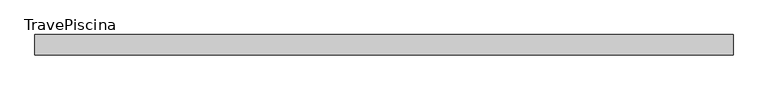
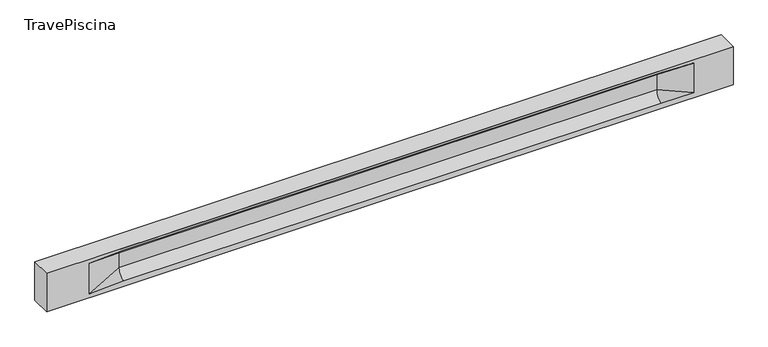
"""IFC4 building model written with IfcOpenShell, lengths in millimetres: beam geometry, TravePiscina."""

from ifc_helpers import new_model, si_unit, frame, origin, place, context, project, spatial, polyline, circle_curve, source, transform, mapped, element, save
from ifc_brep_helpers import plane_surface, revolved_surface, spline_surface, advanced_brep


def travepiscina_29454896(model_context):
    return source(origin(), model_context, "Body", "AdvancedBrep", [
        advanced_brep(
        [(8482.5, -250.0, 500.0), (8482.5, -250.0, -500.0), (8482.5, 250.0, -500.0), (8482.5, 250.0, 500.0), (-8482.5, -250.0, 500.0), (-8482.5, -250.0, -500.0), (7507.5, -250.0, -362.0), (6707.5, -250.0, -360.0), (-6582.5, -250.0, -360.0), (-7432.5, -250.0, -400.0), (-7432.5, -250.0, 400.0), (-6582.5, -250.0, 435.0), (6707.5, -250.0, 435.0), (7507.5, -250.0, 400.0), (-8482.5, 250.0, -500.0), (-8482.5, 250.0, 500.0), (7507.5, 250.0, 400.0), (6707.5, 250.0, 435.0), (-6582.5, 250.0, 435.0), (-7432.5, 250.0, 400.0), (-7432.5, 250.0, -400.0), (-6582.5, 250.0, -360.0), (6707.5, 250.0, -360.0), (7507.5, 250.0, -362.0), (6707.5, 155.0, 405.0), (-6582.5, 155.0, 405.0), (-6582.5, -60.0, 262.777021), (6707.5, -60.0, 262.777021), (6707.5, -155.0, 405.0), (-6582.5, -155.0, 405.0), (-6582.5, 60.0, 262.777021), (6707.5, 60.0, 262.777021), (6707.5, 60.0, -120.0), (-6582.5, 60.0, -120.0), (-6582.5, -60.0, -120.0), (6707.5, -60.0, -120.0)],
        [
            (0, 1),
            (1, 2),
            (2, 3),
            (3, 0),
            (0, 4),
            (4, 5),
            (5, 1),
            (6, 7),
            (7, 8),
            (8, 9),
            (9, 10),
            (10, 11),
            (11, 12),
            (12, 13),
            (13, 6),
            (5, 14),
            (14, 2),
            (14, 15),
            (15, 3),
            (16, 17),
            (17, 18),
            (18, 19),
            (19, 20),
            (20, 21),
            (21, 22),
            (22, 23),
            (23, 16),
            (15, 4),
            (17, 24),
            (24, 25),
            (25, 18),
            (26, 27),
            (27, 28, circle_curve(frame((6707.5, -213.9598725, 262.777021), z_axis=(1.0, 0.0, 0.0), x_axis=(0.0, 1.0, 0.0)), 153.9598725)),
            (28, 29),
            (29, 26, circle_curve(frame((-6582.5, -213.9598725, 262.777021), z_axis=(-1.0, 0.0, 0.0), x_axis=(0.0, 1.0, 0.0)), 153.9598725)),
            (30, 31),
            (31, 32),
            (32, 33),
            (33, 30),
            (28, 12),
            (11, 29),
            (34, 35),
            (35, 27),
            (26, 34),
            (25, 19),
            (22, 32, circle_curve(frame((6707.5, 306.5789474, -120.0), z_axis=(-1.0, 0.0, 0.0), x_axis=(0.0, 1.0, 0.0)), 246.5789474)),
            (32, 23),
            (10, 29),
            (10, 26),
            (13, 28),
            (27, 13),
            (30, 19),
            (25, 30, circle_curve(frame((-6582.5, 213.9598725, 262.777021), z_axis=(1.0, 0.0, 0.0), x_axis=(0.0, 1.0, 0.0)), 153.9598725)),
            (9, 34),
            (8, 34, circle_curve(frame((-6582.5, -306.5789474, -120.0), z_axis=(1.0, 0.0, 0.0), x_axis=(0.0, 1.0, 0.0)), 246.5789474)),
            (20, 33),
            (33, 21, circle_curve(frame((-6582.5, 306.5789474, -120.0), z_axis=(1.0, 0.0, 0.0), x_axis=(0.0, 1.0, 0.0)), 246.5789474)),
            (35, 6),
            (35, 7, circle_curve(frame((6707.5, -306.5789474, -120.0), z_axis=(-1.0, 0.0, 0.0), x_axis=(0.0, 1.0, 0.0)), 246.5789474)),
            (31, 16),
            (31, 24, circle_curve(frame((6707.5, 213.9598725, 262.777021), z_axis=(-1.0, 0.0, 0.0), x_axis=(0.0, 1.0, 0.0)), 153.9598725)),
            (24, 16),
        ],
        [
            plane_surface(frame((8482.5, 0.0, 0.0), z_axis=(1.0, 0.0, 0.0), x_axis=(0.0, 0.0, 1.0))),
            plane_surface(frame((8482.5, -250.0, 500.0), z_axis=(0.0, -1.0, 0.0), x_axis=(-1.0, 0.0, 0.0))),
            plane_surface(frame((8482.5, -250.0, -500.0), z_axis=(0.0, 0.0, -1.0), x_axis=(-1.0, 0.0, 0.0))),
            plane_surface(frame((8482.5, 250.0, -500.0), z_axis=(0.0, 1.0, 0.0), x_axis=(-1.0, 0.0, 0.0))),
            plane_surface(frame((8482.5, 250.0, 500.0), z_axis=(0.0, 0.0, 1.0), x_axis=(-1.0, 0.0, 0.0))),
            plane_surface(frame((-6582.5, 250.0, 435.0), z_axis=(0.0, 0.30113136793710954, -0.9535826651341378), x_axis=(1.0, 0.0, 0.0))),
            plane_surface(frame((-8482.5, 0.0, 0.0), z_axis=(-1.0, 0.0, 0.0), x_axis=(0.0, 0.0, 1.0))),
            revolved_surface(polyline([(6707.5, -60.0, 262.777021), (-6582.5, -60.0, 262.777021)]), (-6582.5, -213.9598725, 262.777021), (1.0, 0.0, 0.0)),
            plane_surface(frame((-6582.5, 60.0, 262.777021), z_axis=(0.0, 1.0, 0.0), x_axis=(1.0, 0.0, 0.0))),
            plane_surface(frame((-6582.5, -155.0, 405.0), z_axis=(0.0, -0.30113136793710693, -0.9535826651341387), x_axis=(1.0, 0.0, 0.0))),
            plane_surface(frame((-6582.5, -60.0, -120.0), z_axis=(0.0, -1.0, 0.0), x_axis=(1.0, 0.0, 0.0))),
            plane_surface(frame((-7432.5, 250.0, 400.0), z_axis=(0.03923493491469434, 0.30089950084952793, -0.9528484193567961), x_axis=(0.0, 0.9535826651341378, 0.30113136793710954))),
            spline_surface(2, 1, [[(6707.5, 250.0, -360.0), (7507.5, 250.0, -362.0)], [(6707.5, 60.00000002887427, -315.20833329480604), (7507.5, 250.0, -362.0)], [(6707.5, 60.0, -120.0), (7507.5, 250.0, -362.0)]], [3, 3], [2, 2], [0.0, 1.0], [0.0, 1.0], weights=[[1.0, 1.0], [0.7840458245391329, 0.7840458245391329], [1.0, 1.0]]),
            plane_surface(frame((-7432.5, -250.0, 400.0), z_axis=(0.03923493491469438, -0.3008995008495253, -0.952848419356797), x_axis=(0.0, 0.9535826651341387, -0.30113136793710693))),
            spline_surface(2, 1, [[(-7432.5, -250.0, 400.0), (-6582.5, -155.0, 405.0)], [(-7432.5, -250.0, 400.0), (-6582.5, -60.00000008030692, 365.6168572114734)], [(-7432.5, -250.0, 400.0), (-6582.5, -60.0, 262.777021)]], [3, 3], [2, 2], [0.0, 1.0], [0.0, 1.0], weights=[[1.0, 1.0], [0.8315515924557569, 0.8315515924557569], [1.0, 1.0]]),
            spline_surface(2, 1, [[(6707.5, -155.0, 405.0), (7507.5, -250.0, 400.0)], [(6707.5, -60.00000008030692, 365.6168572114734), (7507.5, -250.0, 400.0)], [(6707.5, -60.0, 262.777021), (7507.5, -250.0, 400.0)]], [3, 3], [2, 2], [0.0, 1.0], [0.0, 1.0], weights=[[1.0, 1.0], [0.8315515924557569, 0.8315515924557569], [1.0, 1.0]]),
            plane_surface(frame((6707.5, -202.5, 420.0), z_axis=(-0.041682982855687514, -0.30086965068766125, -0.9527538938442274), x_axis=(0.0, 0.9535826651341387, -0.30113136793710693))),
            spline_surface(2, 1, [[(-7432.5, 250.0, 400.0), (-6582.5, 60.0, 262.777021)], [(-7432.5, 250.0, 400.0), (-6582.5, 59.99999995452379, 365.6168572954922)], [(-7432.5, 250.0, 400.0), (-6582.5, 155.0, 405.0)]], [3, 3], [2, 2], [0.0, 1.0], [0.0, 1.0], weights=[[1.0, 1.0], [0.8315515921160737, 0.8315515921160737], [1.0, 1.0]]),
            plane_surface(frame((-7432.5, -250.0, 0.0), z_axis=(0.2181459637070523, -0.9759161534262671, 0.0), x_axis=(0.0, 0.0, -1.0))),
            spline_surface(2, 1, [[(-7432.5, -250.0, -400.0), (-6582.5, -60.0, -120.0)], [(-7432.5, -250.0, -400.0), (-6582.5, -59.99999998020837, -315.20833333333337)], [(-7432.5, -250.0, -400.0), (-6582.5, -250.0, -360.0)]], [3, 3], [2, 2], [0.0, 1.0], [0.0, 1.0], weights=[[1.0, 1.0], [0.7840458244617614, 0.7840458244617614], [1.0, 1.0]]),
            spline_surface(2, 1, [[(-7432.5, 250.0, -400.0), (-6582.5, 250.0, -360.0)], [(-7432.5, 250.0, -400.0), (-6582.5, 60.00000002887427, -315.20833329480604)], [(-7432.5, 250.0, -400.0), (-6582.5, 60.0, -120.0)]], [3, 3], [2, 2], [0.0, 1.0], [0.0, 1.0], weights=[[1.0, 1.0], [0.7840458245391329, 0.7840458245391329], [1.0, 1.0]]),
            plane_surface(frame((-7432.5, 250.0, 0.0), z_axis=(0.21814596370704822, 0.9759161534262681, 0.0), x_axis=(0.0, 0.0, 1.0))),
            plane_surface(frame((6707.5, -60.0, 71.3885105), z_axis=(-0.23107243079589768, -0.9729365507195602, 0.0), x_axis=(0.0, 0.0, -1.0))),
            spline_surface(2, 1, [[(6707.5, -60.0, -120.0), (7507.5, -250.0, -362.0)], [(6707.5, -59.99999998020837, -315.20833333333337), (7507.5, -250.0, -362.0)], [(6707.5, -250.0, -360.0), (7507.5, -250.0, -362.0)]], [3, 3], [2, 2], [0.0, 1.0], [0.0, 1.0], weights=[[1.0, 1.0], [0.7840458244617614, 0.7840458244617614], [1.0, 1.0]]),
            plane_surface(frame((6707.5, 60.0, 71.3885105), z_axis=(-0.2310724307958912, 0.9729365507195616, 0.0), x_axis=(0.0, 0.0, 1.0))),
            spline_surface(2, 1, [[(6707.5, 60.0, 262.777021), (7507.5, 250.0, 400.0)], [(6707.5, 59.99999995452379, 365.6168572954922), (7507.5, 250.0, 400.0)], [(6707.5, 155.0, 405.0), (7507.5, 250.0, 400.0)]], [3, 3], [2, 2], [0.0, 1.0], [0.0, 1.0], weights=[[1.0, 1.0], [0.8315515921160737, 0.8315515921160737], [1.0, 1.0]]),
            plane_surface(frame((6707.5, 202.5, 420.0), z_axis=(-0.04168298285568677, 0.30086965068766386, -0.9527538938442265), x_axis=(0.0, 0.9535826651341378, 0.30113136793710954))),
            revolved_surface(polyline([(6707.5, 367.919745, 262.777021), (-6582.5, 367.919745, 262.777021)]), (-6582.5, 213.9598725, 262.777021), (1.0, 0.0, 0.0)),
            revolved_surface(polyline([(6707.5, 553.1578948, -120.0), (-6582.5, 553.1578948, -120.0)]), (-6582.5, 306.5789474, -120.0), (1.0, 0.0, 0.0)),
            revolved_surface(polyline([(6707.5, -60.0, -120.0), (-6582.5, -60.0, -120.0)]), (-6582.5, -306.5789474, -120.0), (1.0, 0.0, 0.0)),
        ],
        [
            (0, [[1, 2, 3, 4]]),
            (1, [[-1, 5, 6, 7], [8, 9, 10, 11, 12, 13, 14, 15]]),
            (2, [[-2, -7, 16, 17]]),
            (3, [[-3, -17, 18, 19], [20, 21, 22, 23, 24, 25, 26, 27]]),
            (4, [[-5, -4, -19, 28]]),
            (5, [[-21, 29, 30, 31]]),
            (6, [[-28, -18, -16, -6]]),
            (7, [[32, 33, 34, 35]]),
            (8, [[36, 37, 38, 39]]),
            (9, [[-34, 40, -13, 41]]),
            (10, [[42, 43, -32, 44]]),
            (11, [[45, -22, -31]]),
            (12, [[-26, 46, 47]]),
            (13, [[-12, 48, -41]]),
            (14, [[-48, 49, -35]]),
            (15, [[50, -33, 51]]),
            (16, [[-14, -40, -50]]),
            (17, [[52, -45, 53]]),
            (18, [[-49, -11, 54, -44]]),
            (19, [[-54, -10, 55]]),
            (20, [[-24, 56, 57]]),
            (21, [[-52, -39, -56, -23]]),
            (22, [[-51, -43, 58, -15]]),
            (23, [[-58, 59, -8]]),
            (24, [[-47, -37, 60, -27]]),
            (25, [[-60, 61, 62]]),
            (26, [[-62, -29, -20]]),
            (27, [[-30, -61, -36, -53]]),
            (28, [[-38, -46, -25, -57]]),
            (29, [[-9, -59, -42, -55]]),
        ],
    ),
    ])


if __name__ == "__main__":
    model = new_model("IFC4")
    model_context = context("Model", 3, world=origin())
    ifc_project = project(units=[si_unit("LENGTHUNIT", "METRE", prefix="MILLI")], contexts=[model_context])
    site = spatial("IfcSite", under=ifc_project)
    building = spatial("IfcBuilding", under=site)
    placement = place(None, origin())
    travepiscina_shape = travepiscina_29454896(model_context)
    element("IfcBeam", 1, ObjectType="TravePiscina", at=placement, inside=building, context=model_context, shape_type="MappedRepresentation", body=[
        mapped(travepiscina_shape, transform((0.0, 0.0, 0.0), x_axis=(1.0, 0.0, 0.0), y_axis=(0.0, 1.0, 0.0), z_axis=(0.0, 0.0, 1.0))),
    ])
    save(model, "model.ifc")
